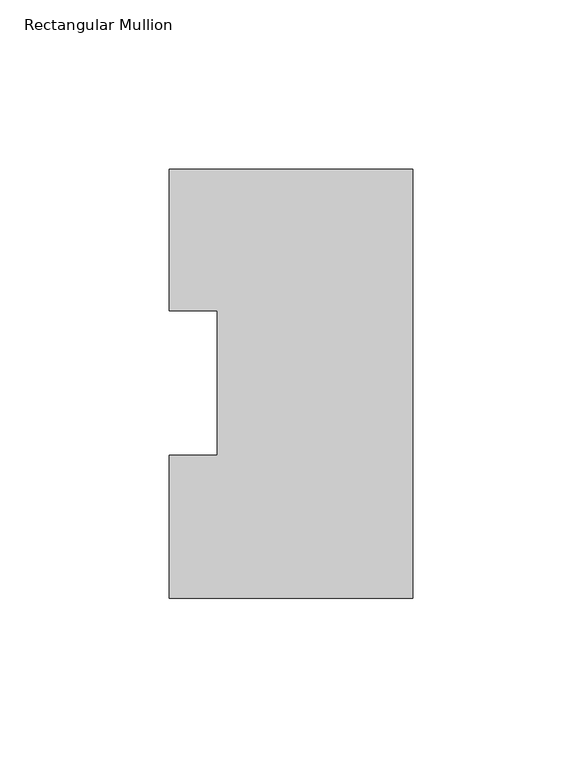
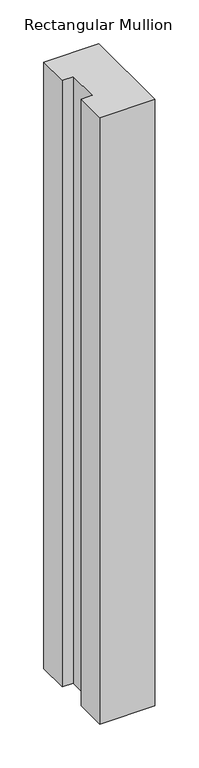
"""IFC4 building model written with IfcOpenShell, lengths in millimetres: member geometry, Rectangular Mullion."""

from ifc_helpers import new_model, si_unit, frame, origin, place, context, project, spatial, polyline, outline, extrude, source, transform, mapped, element, save


def rectangular_mullion_01595db4(model_context):
    return source(origin(), model_context, "Body", "SweptSolid", [
        extrude(outline(polyline([(-72.01462, 133.6365438), (0.0, 133.6365438), (0.0, 6.6365438), (-72.01462, 6.6365438), (-72.01462, 48.9275438), (-57.72712, 48.9275438), (-57.72712, 91.7773438), (-72.01462, 91.7773438), (-72.01462, 133.6365438)])), frame((0.0, 0.0, -842.38538), z_axis=(0.0, 0.0, 1.0), x_axis=(1.0, 0.0, 0.0)), (0.0, 0.0, 1.0), 842.38538),
    ])


if __name__ == "__main__":
    model = new_model("IFC4")
    model_context = context("Model", 3, world=origin())
    ifc_project = project(units=[si_unit("LENGTHUNIT", "METRE", prefix="MILLI")], contexts=[model_context])
    site = spatial("IfcSite", under=ifc_project)
    building = spatial("IfcBuilding", under=site)
    placement = place(None, origin())
    rectangular_mullion_shape = rectangular_mullion_01595db4(model_context)
    element("IfcMember", 1, ObjectType="Rectangular Mullion", at=placement, inside=building, context=model_context, shape_type="MappedRepresentation", body=[
        mapped(rectangular_mullion_shape, transform((0.0, 0.0, 0.0), x_axis=(1.0, 0.0, 0.0), y_axis=(0.0, 1.0, 0.0), z_axis=(0.0, 0.0, 1.0))),
    ])
    save(model, "model.ifc")
